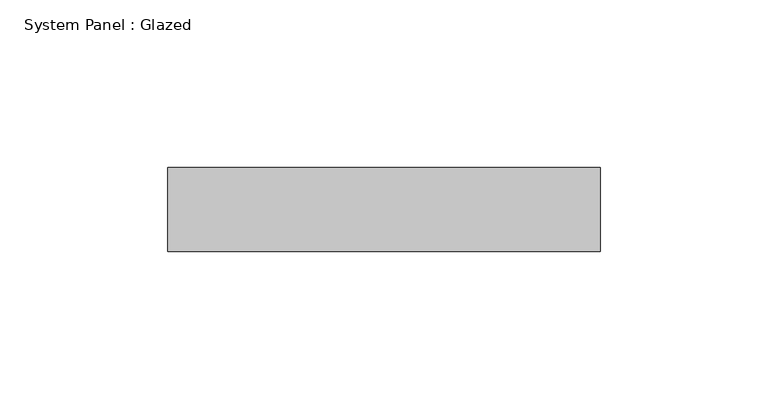
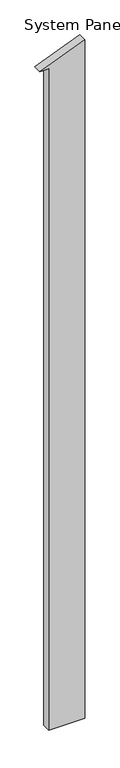
"""IFC4 building model written with IfcOpenShell, lengths in millimetres: plate geometry, System Panel : Glazed."""

from ifc_helpers import new_model, si_unit, frame, origin, place, context, project, spatial, polyline, outline, extrude, source, transform, mapped, element, save


def system_panel_glazed_03b56cf4(model_context):
    return source(origin(), model_context, "Body", "SweptSolid", [
        extrude(outline(polyline([(0.0, -39.5), (0.0, 64.5), (2062.0508474, 64.5), (2010.6694915, -64.5), (2010.6694915, -39.5), (0.0, -39.5)])), frame((0.0, 24.5, 0.0), z_axis=(0.0, 1.0, 0.0), x_axis=(0.0, 0.0, 1.0)), (0.0, 0.0, 1.0), 25.0),
    ])


if __name__ == "__main__":
    model = new_model("IFC4")
    model_context = context("Model", 3, world=origin())
    ifc_project = project(units=[si_unit("LENGTHUNIT", "METRE", prefix="MILLI")], contexts=[model_context])
    site = spatial("IfcSite", under=ifc_project)
    building = spatial("IfcBuilding", under=site)
    placement = place(None, origin())
    system_panel_glazed_shape = system_panel_glazed_03b56cf4(model_context)
    element("IfcPlate", 1, ObjectType="System Panel : Glazed", at=placement, inside=building, context=model_context, shape_type="MappedRepresentation", body=[
        mapped(system_panel_glazed_shape, transform((0.0, 0.0, 0.0), x_axis=(1.0, 0.0, 0.0), y_axis=(0.0, 1.0, 0.0), z_axis=(0.0, 0.0, 1.0))),
    ])
    save(model, "model.ifc")
